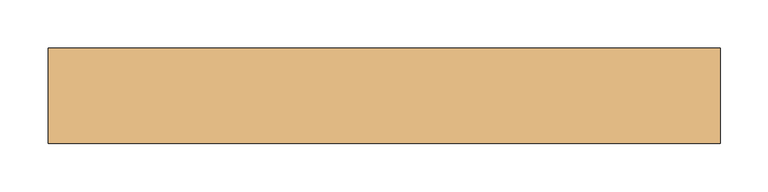
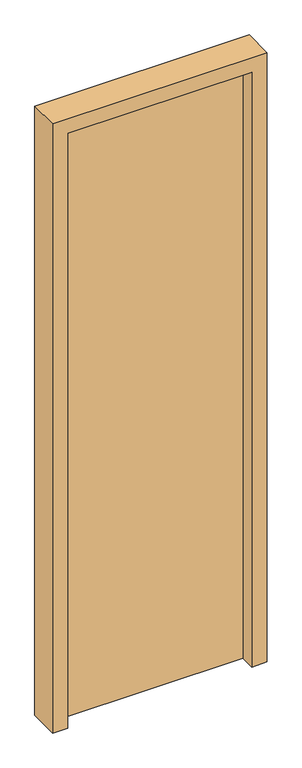
"""IFC4 building model written with IfcOpenShell, lengths in millimetres: door geometry."""

from ifc_helpers import new_model, si_unit, frame, origin, origin_with_axes, place, context, project, spatial, polyline, outline, extrude, source, transform, mapped, element, save


def door_4864a00c(model_context):
    return source(origin(), model_context, "Body", "SweptSolid", [
        extrude(outline(polyline([(-300.0, 100.0), (300.0, 100.0), (300.0, 50.0), (-300.0, 50.0), (-300.0, 100.0)])), origin_with_axes(), (0.0, 0.0, 1.0), 2050.0),
        extrude(outline(polyline([(0.0, -350.0), (0.0, -300.0), (2050.0, -300.0), (2050.0, 300.0), (0.0, 300.0), (0.0, 350.0), (2100.0, 350.0), (2100.0, -350.0), (0.0, -350.0)])), frame((0.0, 0.0, 0.0), z_axis=(0.0, 1.0, 0.0), x_axis=(0.0, 0.0, 1.0)), (0.0, 0.0, 1.0), 100.0),
    ])


if __name__ == "__main__":
    model = new_model("IFC4")
    model_context = context("Model", 3, world=origin())
    ifc_project = project(units=[si_unit("LENGTHUNIT", "METRE", prefix="MILLI")], contexts=[model_context])
    site = spatial("IfcSite", under=ifc_project)
    building = spatial("IfcBuilding", under=site)
    placement = place(None, origin())
    door_shape = door_4864a00c(model_context)
    element("IfcDoor", 1, at=placement, inside=building, context=model_context, shape_type="MappedRepresentation", body=[
        mapped(door_shape, transform((0.0, 0.0, 0.0), x_axis=(1.0, 0.0, 0.0), y_axis=(0.0, 1.0, 0.0), z_axis=(0.0, 0.0, 1.0))),
    ])
    save(model, "model.ifc")
